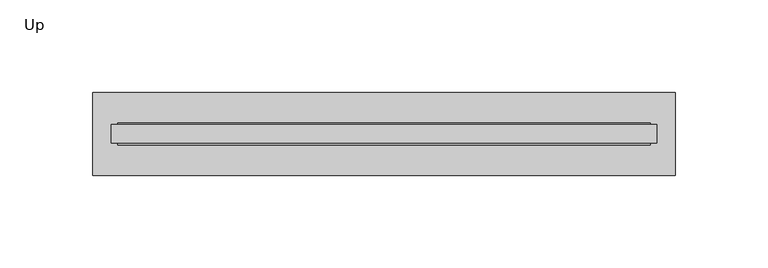
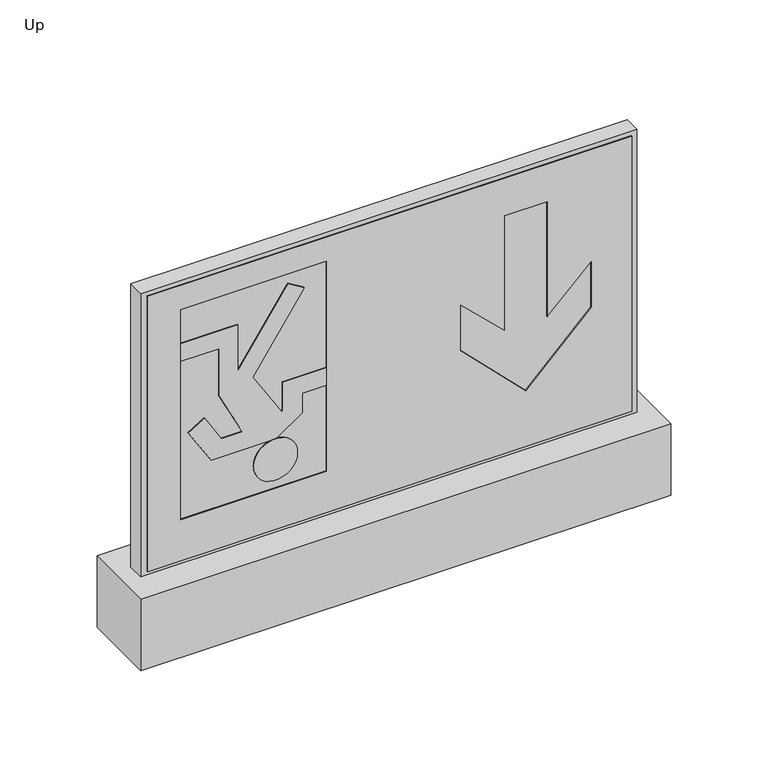
"""IFC4 building model written with IfcOpenShell, lengths in millimetres: light fixture geometry, Up."""

from ifc_helpers import new_model, si_unit, point, frame, frame_2d, origin, origin_with_axes, place, context, project, spatial, polyline, circle_curve, trimmed, segment, composite_curve, outline, extrude, source, transform, mapped, element, save


def up_51f14bd0(model_context):
    return source(origin(), model_context, "Body", "SweptSolid", [
        extrude(outline(polyline([(147.5, 5.0), (147.5, -5.0), (-147.5, -5.0), (-147.5, 5.0), (147.5, 5.0)])), frame((0.0, 0.0, 45.0), z_axis=(0.0, 0.0, 1.0), x_axis=(1.0, 0.0, 0.0)), (0.0, 0.0, 1.0), 178.0),
        extrude(outline(polyline([(157.5, 22.5), (157.5, -22.5), (-157.5, -22.5), (-157.5, 22.5), (157.5, 22.5)])), origin_with_axes(), (0.0, 0.0, 1.0), 45.0),
        extrude(outline(composite_curve([segment(trimmed(circle_curve(frame_2d((91.4617049, -67.8544593)), 13.0), [point((91.4617049, -80.8544593))], [point((91.4617049, -54.8544593))], False, "CARTESIAN"), True, "CONTINUOUS"), segment(trimmed(circle_curve(frame_2d((91.4617049, -67.8544593)), 13.0), [point((91.4617049, -54.8544593))], [point((91.4617049, -80.8544593))], False, "CARTESIAN"), True, "CONTINUOUS")], self_intersect=False)), frame((0.0, -6.0, 0.0), z_axis=(0.0, 1.0, 0.0), x_axis=(0.0, 0.0, 1.0)), (0.0, 0.0, 1.0), 12.0),
        extrude(outline(polyline([(127.3976962, -52.0232796), (127.3976962, -37.6123637), (138.3976962, -37.6123637), (138.3976962, -63.6123637), (120.858827, -63.6123637), (120.2584024, -64.2127883), (147.9449912, -81.5132891), (193.5420577, -50.7576794), (199.3625192, -60.4445541), (154.8643683, -90.4589358), (183.8984821, -90.4589358), (183.8984821, -124.1079391), (172.8984821, -124.1079391), (172.8984821, -101.4589358), (142.8984821, -101.4589358), (115.7344261, -87.618158), (115.7344261, -100.1323433), (132.1954016, -110.0230953), (126.1388867, -119.7155451), (104.4617049, -106.1701386), (104.4617049, -67.8601632), (115.1438178, -52.0232796), (127.3976962, -52.0232796)])), frame((0.0, -6.0, 0.0), z_axis=(0.0, 1.0, 0.0), x_axis=(0.0, 0.0, 1.0)), (0.0, 0.0, 1.0), 12.0),
        extrude(outline(polyline([(47.5, -143.8582677), (47.5, 143.8582677), (220.5, 143.8582677), (220.5, -143.8582677), (47.5, -143.8582677)]), holes=[polyline([(82.618089, 80.9344351), (121.3598329, 42.1926911), (149.977335, 42.1926911), (124.7587089, 68.3073429), (196.96472, 68.3073429), (196.96472, 93.5615272), (124.7587089, 93.5615272), (149.977335, 119.676179), (121.3598329, 119.676179), (82.618089, 80.9344351)]), polyline([(73.3740017, -124.1079391), (205.3740017, -124.1079391), (205.3740017, -37.6123637), (73.3740017, -37.6123637), (73.3740017, -124.1079391)])]), frame((0.0, -6.0, 0.0), z_axis=(0.0, 1.0, 0.0), x_axis=(0.0, 0.0, 1.0)), (0.0, 0.0, 1.0), 12.0),
    ])


if __name__ == "__main__":
    model = new_model("IFC4")
    model_context = context("Model", 3, world=origin())
    ifc_project = project(units=[si_unit("LENGTHUNIT", "METRE", prefix="MILLI")], contexts=[model_context])
    site = spatial("IfcSite", under=ifc_project)
    building = spatial("IfcBuilding", under=site)
    placement = place(None, origin())
    up_shape = up_51f14bd0(model_context)
    element("IfcLightFixture", 1, ObjectType="Up", at=placement, inside=building, context=model_context, shape_type="MappedRepresentation", body=[
        mapped(up_shape, transform((0.0, 0.0, 0.0), x_axis=(1.0, 0.0, 0.0), y_axis=(0.0, 1.0, 0.0), z_axis=(0.0, 0.0, 1.0))),
    ])
    save(model, "model.ifc")
